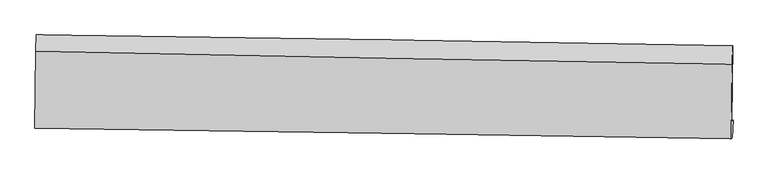
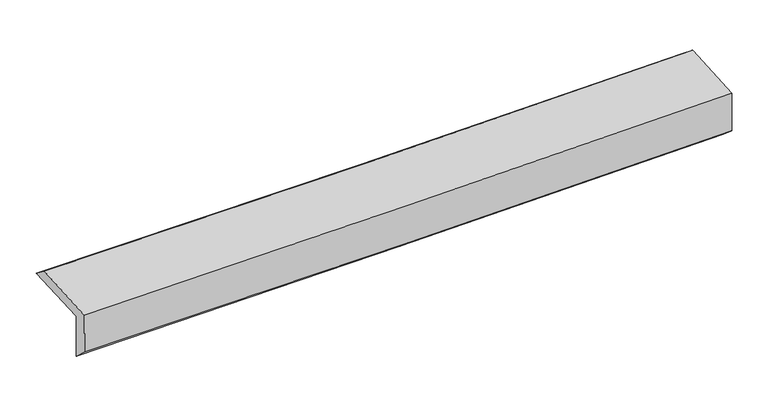
"""IFC4 building model written with IfcOpenShell, lengths in millimetres: proxy geometry."""

from ifc_helpers import new_model, si_unit, frame, origin, place, context, project, spatial, source, transform, mapped, element, save
from ifc_brep_helpers import plane_surface, spline_curve, spline_surface, advanced_brep


def generic_models_aac3685e(model_context):
    return source(origin(), model_context, "Body", "AdvancedBrep", [
        advanced_brep(
        [(-3031.2486964, -1759.4410439, 1968.4975438), (-3022.000494, -1094.5817358, 1990.3348347), (3017.3932248, -1187.3647022, 2123.0323328), (3008.771916, -1843.6935506, 2106.8618715), (-3021.2351002, -1744.9027831, 1560.8222709), (3018.4519935, -1832.9778774, 1710.9307644), (-3026.5606173, -1887.771191, 1694.9994738), (3013.3178937, -1985.4642436, 1837.2169926), (-3035.7004857, -1902.6280717, 2066.1328487), (3003.9903917, -1995.85956, 2218.6873066), (-3026.6493171, -1234.3928256, 2098.2311305), (3012.1494735, -1346.8433943, 2249.8856857)],
        [
            (0, 1),
            (1, 2, spline_curve(3, [(-3022.000494, -1094.5817358, 1990.3348347), (-2015.119061707, -1108.199412599, 2000.61495391), (-1008.393185764, -1122.7402055, 2016.8132179), (1004.73805116, -1153.667878048, 2061.045827905), (2011.14341462, -1170.054740877, 2089.080063246), (3017.3932248, -1187.3647022, 2123.0323328)], [4, 2, 4], [0.0, 9.911346103652814, 19.82259962314763])),
            (2, 3),
            (3, 0, spline_curve(3, [(3008.771916, -1843.6935506, 2106.8618715), (2002.197799363, -1828.431486508, 2080.524230372), (995.578041043, -1813.779441864, 2055.825095165), (-1017.762162423, -1785.695261765, 2009.703622019), (-2024.482608058, -1772.263137278, 1988.281314482), (-3031.2486964, -1759.4410439, 1968.4975438)], [4, 2, 4], [0.0, 9.911253519494817, 19.82259962314763])),
            (4, 0),
            (3, 5),
            (5, 4, spline_curve(3, [(3018.4519935, -1832.9778774, 1710.9307644), (2012.065500373, -1818.081684771, 1676.530173564), (1005.567347025, -1803.294030915, 1646.820873733), (-1007.661681887, -1773.935663963, 1596.784621365), (-2014.392560016, -1759.364953082, 1576.457756902), (-3021.2351002, -1744.9027831, 1560.8222709)], [4, 2, 4], [0.0, 9.911741635155035, 19.823575859027713])),
            (6, 4),
            (5, 7),
            (7, 6, spline_curve(3, [(3013.3178937, -1985.4642436, 1837.2169926), (2006.958949498, -1968.839367219, 1801.61032782), (1000.458619807, -1952.385878387, 1771.955562992), (-1012.834214566, -1919.821524317, 1724.549612192), (-2019.626721844, -1903.710662183, 1706.798537277), (-3026.5606173, -1887.771191, 1694.9994738)], [4, 2, 4], [0.0, 9.911969360612266, 19.82403131206943])),
            (8, 6),
            (7, 9),
            (9, 8, spline_curve(3, [(3003.9903917, -1995.85956, 2218.6873066), (1997.520355867, -1978.581913467, 2188.135165502), (990.98011613, -1962.173831713, 2160.146270923), (-1022.250174997, -1931.096652937, 2109.294736968), (-2028.940227443, -1916.427571837, 2086.43214576), (-3035.7004857, -1902.6280717, 2066.1328487)], [4, 2, 4], [0.0, 9.912029768055445, 19.824152127520072])),
            (10, 8),
            (9, 11),
            (11, 10, spline_curve(3, [(3012.1494735, -1346.8433943, 2249.8856857), (2005.748101508, -1332.711066617, 2219.191700163), (999.316533612, -1316.274076695, 2191.206874138), (-1013.61639589, -1278.790596834, 2140.655305354), (-2020.117758366, -1257.744063785, 2118.088612914), (-3026.6493171, -1234.3928256, 2098.2311305)], [4, 2, 4], [0.0, 9.911471879334247, 19.82303634486626])),
            (1, 10),
            (11, 2),
        ],
        [
            spline_surface(3, 3, [[(-3031.2486964, -1759.4410439, 1968.4975438), (-2024.482608178, -1772.263137143, 1988.281314533), (-1017.762162333, -1785.69526167, 2009.703621998), (995.578040953, -1813.77944196, 2055.825095185), (2002.197799231, -1828.431486347, 2080.524230269), (3008.771916, -1843.6935506, 2106.8618715)], [(-3028.165962286, -1537.821274544, 1975.77664078), (-2021.361426017, -1550.908562338, 1992.392527725), (-1014.639170112, -1564.710242949, 2012.073487289), (998.631377648, -1593.742254048, 2057.565339389), (2005.179671025, -1608.972571209, 2083.376174637), (3011.645685591, -1624.91726782, 2112.252025267)], [(-3025.083228114, -1316.201505156, 1983.05573772), (-2018.240243798, -1329.553987502, 1996.503740877), (-1011.516177878, -1343.725224136, 2014.443352648), (1001.684714357, -1373.705066044, 2059.305583662), (2008.161542847, -1389.513656011, 2086.228119004), (3014.519455209, -1406.14098498, 2117.642179033)], [(-3022.000494, -1094.5817358, 1990.3348347), (-2015.119061638, -1108.199412697, 2000.614954069), (-1008.393185657, -1122.740205416, 2016.813217939), (1004.738051053, -1153.667878132, 2061.045827866), (2011.14341464, -1170.054740873, 2089.080063371), (3017.3932248, -1187.3647022, 2123.0323328)]], [4, 4], [4, 2, 4], [0.0, 2.1706919865398513], [0.0, 9.911346103652814, 19.82259962314763]),
            spline_surface(3, 3, [[(-3021.2351002, -1744.9027831, 1560.8222709), (-2014.39256009, -1759.364953079, 1576.457756988), (-1007.661682006, -1773.935664049, 1596.784621478), (1005.567347144, -1803.294030828, 1646.820873621), (2012.065500288, -1818.081684656, 1676.530173636), (3018.4519935, -1832.9778774, 1710.9307644)], [(-3024.572965594, -1749.748870018, 1696.714028529), (-2017.755909447, -1763.664347751, 1713.732276166), (-1011.028508789, -1777.855529896, 1734.424288326), (1002.237578406, -1806.789167845, 1783.155614151), (2008.776266611, -1821.531618546, 1811.194859188), (3015.225301008, -1836.54976846, 1842.907800107)], [(-3027.910831006, -1754.594956982, 1832.605786171), (-2021.119258821, -1767.963742471, 1851.006795356), (-1014.395335549, -1781.775395823, 1872.06395515), (998.907809691, -1810.284304943, 1919.490354656), (2005.487032908, -1824.981552457, 1945.859544718), (3011.998608492, -1840.12165954, 1974.884835793)], [(-3031.2486964, -1759.4410439, 1968.4975438), (-2024.482608178, -1772.263137143, 1988.281314533), (-1017.762162333, -1785.69526167, 2009.703621998), (995.578040953, -1813.77944196, 2055.825095185), (2002.197799231, -1828.431486347, 2080.524230269), (3008.771916, -1843.6935506, 2106.8618715)]], [4, 4], [4, 2, 4], [0.0, 1.3491955787183922], [0.0, 9.911834223872678, 19.823575859027713]),
            spline_surface(3, 3, [[(-3026.5606173, -1887.771191, 1694.9994738), (-2019.626721785, -1903.710662187, 1706.798537352), (-1012.834214563, -1919.821524326, 1724.549612194), (1000.458619804, -1952.385878378, 1771.95556299), (2006.958949564, -1968.839367139, 1801.610327752), (3013.3178937, -1985.4642436, 1837.2169926)], [(-3024.785444927, -1840.148388377, 1650.273739509), (-2017.882001213, -1855.595425828, 1663.351610572), (-1011.110037018, -1871.192904244, 1681.961281974), (1002.161528943, -1902.688595872, 1730.243999885), (2008.66113314, -1918.586806323, 1759.916943055), (3015.029260301, -1934.635454878, 1795.121583209)], [(-3023.010272573, -1792.525585723, 1605.548005191), (-2016.137280662, -1807.480189438, 1619.904683767), (-1009.38585955, -1822.564284131, 1639.372951698), (1003.864438005, -1852.991313334, 1688.532436726), (2010.363316713, -1868.334245472, 1718.223558333), (3016.740626899, -1883.806666122, 1753.026173791)], [(-3021.2351002, -1744.9027831, 1560.8222709), (-2014.39256009, -1759.364953079, 1576.457756988), (-1007.661682006, -1773.935664049, 1596.784621478), (1005.567347144, -1803.294030828, 1646.820873621), (2012.065500288, -1818.081684656, 1676.530173636), (3018.4519935, -1832.9778774, 1710.9307644)]], [4, 4], [4, 2, 4], [0.0, 0.6376061336381432], [0.0, 9.912061951457163, 19.82403131206943]),
            spline_surface(3, 3, [[(-3035.7004857, -1902.6280717, 2066.1328487), (-2028.940227607, -1916.427571739, 2086.432145725), (-1022.250175004, -1931.096652818, 2109.29473702), (990.980116137, -1962.173831831, 2160.146270871), (1997.520356029, -1978.581913518, 2188.13516555), (3003.9903917, -1995.85956, 2218.6873066)], [(-3032.653862899, -1897.675778126, 1942.421723733), (-2025.835725665, -1912.188601881, 1959.8876096), (-1019.111521532, -1927.33827665, 1981.046362054), (994.139617351, -1958.911180677, 2030.74936822), (2000.666553898, -1975.334398034, 2059.293552951), (3007.099559057, -1992.394454509, 2091.530535267)], [(-3029.607240101, -1892.723484574, 1818.710598767), (-2022.731223727, -1907.949632045, 1833.343073476), (-1015.972868035, -1923.579900494, 1852.79798716), (997.29911859, -1955.648529533, 1901.352465641), (2003.812751696, -1972.086882623, 1930.451940351), (3010.208726343, -1988.929349091, 1964.373763933)], [(-3026.5606173, -1887.771191, 1694.9994738), (-2019.626721785, -1903.710662187, 1706.798537352), (-1012.834214563, -1919.821524326, 1724.549612194), (1000.458619804, -1952.385878378, 1771.95556299), (2006.958949564, -1968.839367139, 1801.610327752), (3013.3178937, -1985.4642436, 1837.2169926)]], [4, 4], [4, 2, 4], [0.0, 1.268788645357259], [0.0, 9.912122359464627, 19.824152127520072]),
            spline_surface(3, 3, [[(-3026.6493171, -1234.3928256, 2098.2311305), (-2020.117758236, -1257.744063933, 2118.088612809), (-1013.616395952, -1278.790596833, 2140.655305231), (999.316533674, -1316.274076696, 2191.206874261), (2005.748101609, -1332.711066655, 2219.191700209), (3012.1494735, -1346.8433943, 2249.8856857)], [(-3029.666373302, -1457.137907649, 2087.531703237), (-2023.058581361, -1477.305233217, 2107.536457118), (-1016.494322298, -1496.225948837, 2130.201782511), (996.537727834, -1531.573995083, 2180.853339814), (2003.005519743, -1548.001348939, 2208.839521974), (3009.42977956, -1563.182116196, 2239.486225985)], [(-3032.683429498, -1679.882989651, 2076.832275963), (-2025.999404481, -1696.866402455, 2096.984301416), (-1019.372248659, -1713.661300814, 2119.74825974), (993.758921978, -1746.873913444, 2170.499805318), (2000.262937895, -1763.291631235, 2198.487343784), (3006.71008564, -1779.520838104, 2229.086766315)], [(-3035.7004857, -1902.6280717, 2066.1328487), (-2028.940227607, -1916.427571739, 2086.432145725), (-1022.250175004, -1931.096652818, 2109.29473702), (990.980116137, -1962.173831831, 2160.146270871), (1997.520356029, -1978.581913518, 2188.13516555), (3003.9903917, -1995.85956, 2218.6873066)]], [4, 4], [4, 2, 4], [0.0, 2.1322448771792115], [0.0, 9.911564465532013, 19.82303634486626]),
            spline_surface(3, 3, [[(-3022.000494, -1094.5817358, 1990.3348347), (-2015.119061638, -1108.199412697, 2000.614954069), (-1008.393185657, -1122.740205416, 2016.813217939), (1004.738051053, -1153.667878132, 2061.045827866), (2011.14341464, -1170.054740873, 2089.080063371), (3017.3932248, -1187.3647022, 2123.0323328)], [(-3023.550101692, -1141.185432387, 2026.300266613), (-2016.785293829, -1158.047629763, 2039.772840295), (-1010.134255765, -1174.757002535, 2058.093913707), (1002.930878583, -1207.8699443, 2104.432843335), (2009.344976946, -1224.273516138, 2132.450608983), (3015.645307683, -1240.524266238, 2165.316783766)], [(-3025.099709408, -1187.789129013, 2062.265698587), (-2018.451526044, -1207.895846867, 2078.930726583), (-1011.875325844, -1226.773799714, 2099.374609463), (1001.123706144, -1262.072010527, 2147.819858792), (2007.546539304, -1278.49229139, 2175.821154597), (3013.897390617, -1293.683830262, 2207.601234734)], [(-3026.6493171, -1234.3928256, 2098.2311305), (-2020.117758236, -1257.744063933, 2118.088612809), (-1013.616395952, -1278.790596833, 2140.655305231), (999.316533674, -1316.274076696, 2191.206874261), (2005.748101609, -1332.711066655, 2219.191700209), (3012.1494735, -1346.8433943, 2249.8856857)]], [4, 4], [4, 2, 4], [0.0, 0.6687057889851853], [0.0, 9.910985041751204, 19.82187750271717]),
            plane_surface(frame((3012.3458155, -1698.7005547, 2041.1024923), z_axis=(0.9996161214068171, -0.013723594979220115, 0.024068086015263838), x_axis=(0.024435077595530815, 0.02723241042820398, -0.999330437245444))),
            plane_surface(frame((-3027.2324518, -1603.9529419, 1896.503017), z_axis=(-0.9996032736799637, 0.014693725491516572, -0.02402893421439099), x_axis=(-0.013901173796706823, -0.9993644657549059, -0.032824106286164736))),
        ],
        [
            (0, [[1, 2, 3, 4]]),
            (1, [[5, -4, 6, 7]]),
            (2, [[8, -7, 9, 10]]),
            (3, [[11, -10, 12, 13]]),
            (4, [[14, -13, 15, 16]]),
            (5, [[17, -16, 18, -2]]),
            (6, [[-12, -9, -6, -3, -18, -15]]),
            (7, [[-1, -5, -8, -11, -14, -17]]),
        ],
    ),
    ])


if __name__ == "__main__":
    model = new_model("IFC4")
    model_context = context("Model", 3, world=origin())
    ifc_project = project(units=[si_unit("LENGTHUNIT", "METRE", prefix="MILLI")], contexts=[model_context])
    site = spatial("IfcSite", under=ifc_project)
    building = spatial("IfcBuilding", under=site)
    placement = place(None, origin())
    generic_models_shape = generic_models_aac3685e(model_context)
    element("IfcBuildingElementProxy", 1, Name="Generic Models", at=placement, inside=building, context=model_context, shape_type="MappedRepresentation", body=[
        mapped(generic_models_shape, transform((0.0, 0.0, 0.0), x_axis=(1.0, 0.0, 0.0), y_axis=(0.0, 1.0, 0.0), z_axis=(0.0, 0.0, 1.0))),
    ])
    save(model, "model.ifc")
